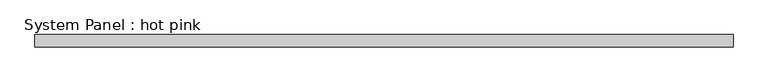
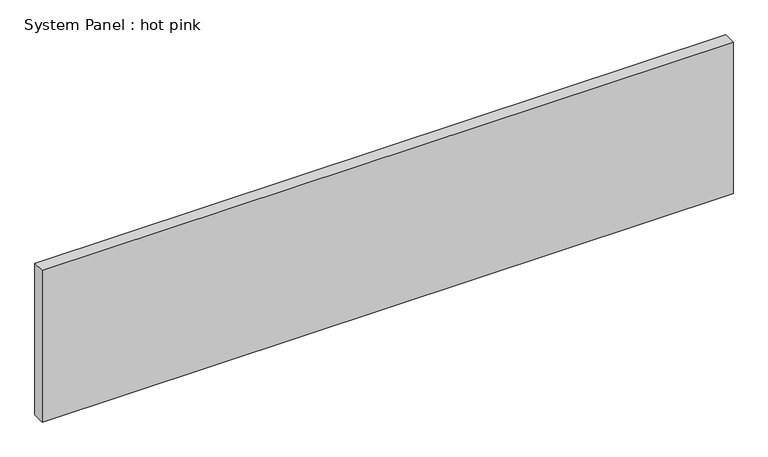
"""IFC4 building model written with IfcOpenShell, lengths in millimetres: plate geometry, System Panel : hot pink."""

from ifc_helpers import new_model, si_unit, origin, origin_with_axes, place, context, project, spatial, polyline, outline, extrude, source, transform, mapped, element, save


def system_panel_hot_pink_cb91a42d(model_context):
    return source(origin(), model_context, "Body", "SweptSolid", [
        extrude(outline(polyline([(1765.3, -19.05), (-1765.3, -19.05), (-1765.3, 44.45), (1765.3, 44.45), (1765.3, -19.05)])), origin_with_axes(), (0.0, 0.0, 1.0), 819.15),
    ])


if __name__ == "__main__":
    model = new_model("IFC4")
    model_context = context("Model", 3, world=origin())
    ifc_project = project(units=[si_unit("LENGTHUNIT", "METRE", prefix="MILLI")], contexts=[model_context])
    site = spatial("IfcSite", under=ifc_project)
    building = spatial("IfcBuilding", under=site)
    placement = place(None, origin())
    system_panel_hot_pink_shape = system_panel_hot_pink_cb91a42d(model_context)
    element("IfcPlate", 1, ObjectType="System Panel : hot pink", at=placement, inside=building, context=model_context, shape_type="MappedRepresentation", body=[
        mapped(system_panel_hot_pink_shape, transform((0.0, 0.0, 0.0), x_axis=(1.0, 0.0, 0.0), y_axis=(0.0, 1.0, 0.0), z_axis=(0.0, 0.0, 1.0))),
    ])
    save(model, "model.ifc")
